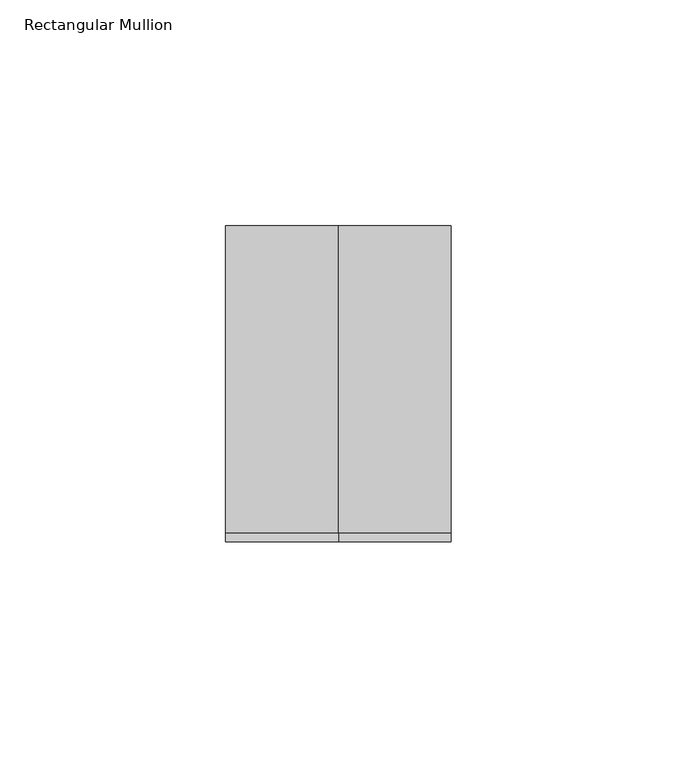
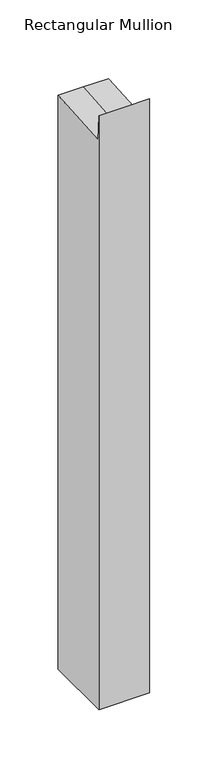
"""IFC4 building model written with IfcOpenShell, lengths in millimetres: member geometry, Rectangular Mullion."""

from ifc_helpers import new_model, si_unit, origin, place, context, project, spatial, faceted_brep, source, transform, mapped, element, save


def rectangular_mullion_5814b82a(model_context):
    return source(origin(), model_context, "Body", "Brep", [
        faceted_brep([(25.0, 35.0, -597.3409732), (25.0, -35.0, -597.3409732), (-25.0, -35.0, -597.3409732), (-25.0, 35.0, -597.3409732), (-25.0, 35.0, 2.551933), (0.0, 35.0, 2.551933), (25.0, 35.0, 2.551933), (-25.0, -35.0, 23.6908412), (-25.0, -33.0345861, -2.5448021), (25.0, -35.0, 23.6908412), (0.0, -35.0, 23.6908412), (25.0, -33.0345861, -2.5448021), (0.0, -33.0345861, -2.5448021)], [[[0, 1, 2, 3]], [[4, 5, 6, 0, 3]], [[7, 8, 4, 3, 2]], [[9, 10, 7, 2, 1]], [[6, 11, 9, 1, 0]], [[6, 5, 12, 11]], [[5, 4, 8, 12]], [[8, 7, 10, 12]], [[10, 9, 11, 12]]]),
    ])


if __name__ == "__main__":
    model = new_model("IFC4")
    model_context = context("Model", 3, world=origin())
    ifc_project = project(units=[si_unit("LENGTHUNIT", "METRE", prefix="MILLI")], contexts=[model_context])
    site = spatial("IfcSite", under=ifc_project)
    building = spatial("IfcBuilding", under=site)
    placement = place(None, origin())
    rectangular_mullion_shape = rectangular_mullion_5814b82a(model_context)
    element("IfcMember", 1, ObjectType="Rectangular Mullion", at=placement, inside=building, context=model_context, shape_type="MappedRepresentation", body=[
        mapped(rectangular_mullion_shape, transform((0.0, 0.0, 0.0), x_axis=(1.0, 0.0, 0.0), y_axis=(0.0, 1.0, 0.0), z_axis=(0.0, 0.0, 1.0))),
    ])
    save(model, "model.ifc")
